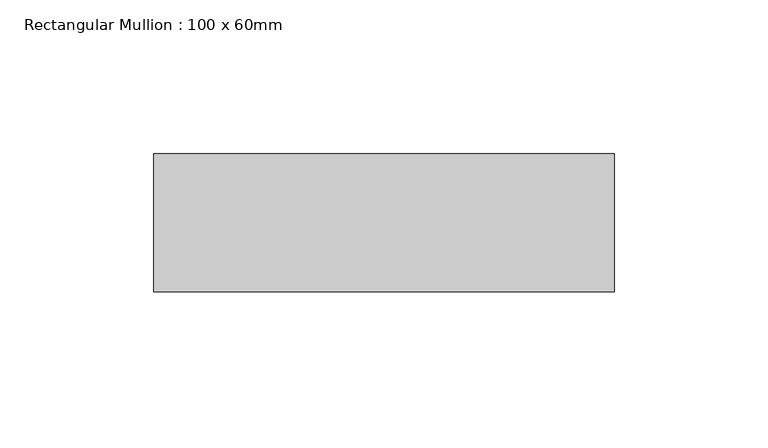
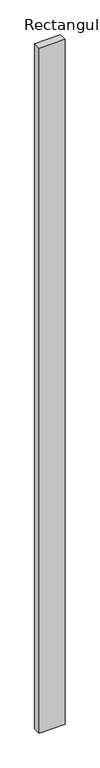
"""IFC4 building model written with IfcOpenShell, lengths in millimetres: member geometry, Rectangular Mullion : 100 x 60mm."""

from ifc_helpers import new_model, si_unit, frame, origin, place, context, project, spatial, polyline, outline, extrude, source, transform, mapped, element, save


def rectangular_mullion_100_x_60mm_e9631a4d(model_context):
    return source(origin(), model_context, "Body", "SweptSolid", [
        extrude(outline(polyline([(-75.0, -30.0), (-75.0, 15.0), (75.0, 15.0), (75.0, -30.0), (-75.0, -30.0)])), frame((0.0, 0.0, -4175.9249296), z_axis=(0.0, 0.0, 1.0), x_axis=(1.0, 0.0, 0.0)), (0.0, 0.0, 1.0), 4175.9249296),
    ])


if __name__ == "__main__":
    model = new_model("IFC4")
    model_context = context("Model", 3, world=origin())
    ifc_project = project(units=[si_unit("LENGTHUNIT", "METRE", prefix="MILLI")], contexts=[model_context])
    site = spatial("IfcSite", under=ifc_project)
    building = spatial("IfcBuilding", under=site)
    placement = place(None, origin())
    rectangular_mullion_100_x_60mm_shape = rectangular_mullion_100_x_60mm_e9631a4d(model_context)
    element("IfcMember", 1, ObjectType="Rectangular Mullion : 100 x 60mm", at=placement, inside=building, context=model_context, shape_type="MappedRepresentation", body=[
        mapped(rectangular_mullion_100_x_60mm_shape, transform((0.0, 0.0, 0.0), x_axis=(1.0, 0.0, 0.0), y_axis=(0.0, 1.0, 0.0), z_axis=(0.0, 0.0, 1.0))),
    ])
    save(model, "model.ifc")
